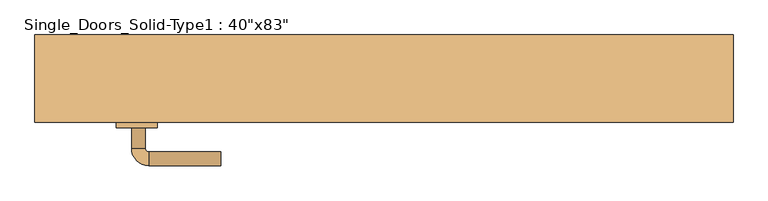
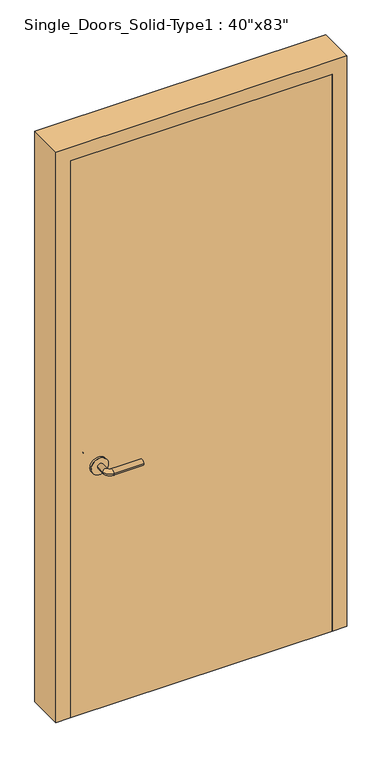
"""IFC4 building model written with IfcOpenShell, lengths in millimetres: door geometry."""

from ifc_helpers import new_model, si_unit, point, frame, frame_2d, origin, origin_with_axes, place, context, project, spatial, polyline, circle_curve, ellipse_curve, trimmed, segment, composite_curve, outline, extrude, faceted_brep, source, transform, mapped, element, save
from ifc_brep_helpers import plane_surface, cylinder_surface, revolved_surface, advanced_brep


def door_8463578b(model_context):
    return source(origin(), model_context, "Body", "SolidModel", [
        advanced_brep(
        [(-367.2, -17.4, 900.0), (-347.2, -17.4, 900.0), (-367.2, 12.6, 900.0), (-347.2, 12.6, 900.0), (-342.2, 17.6, 900.0), (-342.2, 37.6, 900.0), (-237.2, 37.6, 900.0), (-237.2, 17.6, 900.0)],
        [
            (0, 1, circle_curve(frame((-357.2, -17.4, 900.0), z_axis=(0.0, -1.0, 0.0), x_axis=(1.0, 0.0, 0.0)), 10.0)),
            (1, 0, circle_curve(frame((-357.2, -17.4, 900.0), z_axis=(0.0, -1.0, 0.0), x_axis=(1.0, 0.0, 0.0)), 10.0)),
            (0, 2),
            (2, 3, circle_curve(frame((-357.2, 12.6, 900.0), z_axis=(0.0, -1.0, 0.0), x_axis=(1.0, 0.0, 0.0)), 10.0)),
            (3, 1),
            (3, 2, circle_curve(frame((-357.2, 12.6, 900.0), z_axis=(0.0, -1.0, 0.0), x_axis=(1.0, 0.0, 0.0)), 10.0)),
            (4, 3, circle_curve(frame((-342.2, 12.6, 900.0), z_axis=(0.0, 0.0, 1.0), x_axis=(-1.0, 0.0, 0.0)), 5.0)),
            (2, 5, circle_curve(frame((-342.2, 12.6, 900.0), z_axis=(0.0, 0.0, -1.0), x_axis=(-1.0, 0.0, 0.0)), 25.0)),
            (5, 4, circle_curve(frame((-342.2, 27.6, 900.0), z_axis=(-1.0, 0.0, 0.0), x_axis=(0.0, -1.0, 0.0)), 10.0)),
            (4, 5, circle_curve(frame((-342.2, 27.6, 900.0), z_axis=(-1.0, 0.0, 0.0), x_axis=(0.0, -1.0, 0.0)), 10.0)),
            (6, 7, circle_curve(frame((-237.2, 27.6, 900.0), z_axis=(1.0, 0.0, 0.0), x_axis=(0.0, -1.0, 0.0)), 10.0)),
            (7, 6, circle_curve(frame((-237.2, 27.6, 900.0), z_axis=(1.0, 0.0, 0.0), x_axis=(0.0, -1.0, 0.0)), 10.0)),
            (5, 6),
            (7, 4),
        ],
        [
            plane_surface(frame((-357.2, -17.4, 900.0), z_axis=(0.0, -1.0, 0.0), x_axis=(0.0, 0.0, 1.0))),
            cylinder_surface(frame((-357.2, -17.4, 900.0), z_axis=(0.0, -1.0, 0.0), x_axis=(1.0, 0.0, 0.0)), 10.0),
            revolved_surface(trimmed(ellipse_curve(frame((-357.2, 12.6, 900.0), z_axis=(0.0, -1.0, 0.0), x_axis=(1.0, 0.0, 0.0)), 10.0, 10.0), [point((-367.2, 12.6, 900.0))], [point((-347.2, 12.6, 900.0))], True, "CARTESIAN"), (-342.2, 12.6, 900.0), (0.0, 0.0, -1.0)),
            revolved_surface(trimmed(ellipse_curve(frame((-357.2, 12.6, 900.0), z_axis=(0.0, -1.0, 0.0), x_axis=(1.0, 0.0, 0.0)), 10.0, 10.0), [point((-347.2, 12.6, 900.0))], [point((-367.2, 12.6, 900.0))], True, "CARTESIAN"), (-342.2, 12.6, 900.0), (0.0, 0.0, -1.0)),
            plane_surface(frame((-237.2, 27.6, 900.0), z_axis=(1.0, 0.0, 0.0), x_axis=(0.0, 0.0, 1.0))),
            cylinder_surface(frame((-342.2, 27.6, 900.0), z_axis=(-1.0, 0.0, 0.0), x_axis=(0.0, -1.0, 0.0)), 10.0),
        ],
        [
            (0, [[1, 2]]),
            (1, [[-1, 3, 4, 5]]),
            (1, [[-2, -5, 6, -3]]),
            (2, [[7, -4, 8, 9]]),
            (3, [[-8, -6, -7, 10]]),
            (4, [[11, 12]]),
            (5, [[-9, 13, -12, 14]]),
            (5, [[-10, -14, -11, -13]]),
        ],
    ),
        extrude(outline(composite_curve([segment(trimmed(circle_curve(frame_2d((900.0, -359.7)), 30.0), [point((900.0, -389.7))], [point((900.0, -329.7))], False, "CARTESIAN"), True, "CONTINUOUS"), segment(trimmed(circle_curve(frame_2d((900.0, -359.7)), 30.0), [point((900.0, -329.7))], [point((900.0, -389.7))], False, "CARTESIAN"), True, "CONTINUOUS")], self_intersect=False)), frame((0.0, -25.4, 0.0), z_axis=(0.0, 1.0, 0.0), x_axis=(0.0, 0.0, 1.0)), (0.0, 0.0, 1.0), 8.0),
        advanced_brep(
        [(-367.2, -71.5, 900.0), (-347.2, -71.5, 900.0), (-347.2, -101.5, 900.0), (-367.2, -101.5, 900.0), (-342.2, -106.5, 900.0), (-342.2, -126.5, 900.0), (-237.2, -126.5, 900.0), (-237.2, -106.5, 900.0)],
        [
            (0, 1, circle_curve(frame((-357.2, -71.5, 900.0), z_axis=(0.0, 1.0, 0.0), x_axis=(1.0, 0.0, 0.0)), 10.0)),
            (1, 0, circle_curve(frame((-357.2, -71.5, 900.0), z_axis=(0.0, 1.0, 0.0), x_axis=(1.0, 0.0, 0.0)), 10.0)),
            (1, 2),
            (2, 3, circle_curve(frame((-357.2, -101.5, 900.0), z_axis=(0.0, 1.0, 0.0), x_axis=(1.0, 0.0, 0.0)), 10.0)),
            (3, 0),
            (3, 2, circle_curve(frame((-357.2, -101.5, 900.0), z_axis=(0.0, 1.0, 0.0), x_axis=(1.0, 0.0, 0.0)), 10.0)),
            (4, 5, circle_curve(frame((-342.2, -116.5, 900.0), z_axis=(-1.0, 0.0, 0.0), x_axis=(0.0, 1.0, 0.0)), 10.0)),
            (5, 3, circle_curve(frame((-342.2, -101.5, 900.0), z_axis=(0.0, 0.0, -1.0), x_axis=(-1.0, 0.0, 0.0)), 25.0)),
            (2, 4, circle_curve(frame((-342.2, -101.5, 900.0), z_axis=(0.0, 0.0, 1.0), x_axis=(-1.0, 0.0, 0.0)), 5.0)),
            (5, 4, circle_curve(frame((-342.2, -116.5, 900.0), z_axis=(-1.0, 0.0, 0.0), x_axis=(0.0, 1.0, 0.0)), 10.0)),
            (6, 7, circle_curve(frame((-237.2, -116.5, 900.0), z_axis=(1.0, 0.0, 0.0), x_axis=(0.0, 1.0, 0.0)), 10.0)),
            (7, 6, circle_curve(frame((-237.2, -116.5, 900.0), z_axis=(1.0, 0.0, 0.0), x_axis=(0.0, 1.0, 0.0)), 10.0)),
            (4, 7),
            (6, 5),
        ],
        [
            plane_surface(frame((-357.2, -71.5, 900.0), z_axis=(0.0, 1.0, 0.0), x_axis=(0.0, 0.0, 1.0))),
            cylinder_surface(frame((-357.2, -71.5, 900.0), z_axis=(0.0, 1.0, 0.0), x_axis=(1.0, 0.0, 0.0)), 10.0),
            revolved_surface(trimmed(ellipse_curve(frame((-357.2, -101.5, 900.0), z_axis=(0.0, -1.0, 0.0), x_axis=(1.0, 0.0, 0.0)), 10.0, 10.0), [point((-367.2, -101.5, 900.0))], [point((-347.2, -101.5, 900.0))], True, "CARTESIAN"), (-342.2, -101.5, 900.0), (0.0, 0.0, -1.0)),
            revolved_surface(trimmed(ellipse_curve(frame((-357.2, -101.5, 900.0), z_axis=(0.0, -1.0, 0.0), x_axis=(1.0, 0.0, 0.0)), 10.0, 10.0), [point((-347.2, -101.5, 900.0))], [point((-367.2, -101.5, 900.0))], True, "CARTESIAN"), (-342.2, -101.5, 900.0), (0.0, 0.0, -1.0)),
            plane_surface(frame((-237.2, -116.5, 900.0), z_axis=(1.0, 0.0, 0.0), x_axis=(0.0, 0.0, 1.0))),
            cylinder_surface(frame((-342.2, -116.5, 900.0), z_axis=(-1.0, 0.0, 0.0), x_axis=(0.0, 1.0, 0.0)), 10.0),
        ],
        [
            (0, [[1, 2]]),
            (1, [[3, 4, 5, -2]]),
            (1, [[-5, 6, -3, -1]]),
            (2, [[7, 8, -4, 9]]),
            (3, [[10, -9, -6, -8]]),
            (4, [[11, 12]]),
            (5, [[13, -11, 14, -7]]),
            (5, [[-14, -12, -13, -10]]),
        ],
    ),
        extrude(outline(composite_curve([segment(trimmed(circle_curve(frame_2d((900.0, -359.7)), 30.0), [point((900.0, -389.7))], [point((900.0, -329.7))], False, "CARTESIAN"), True, "CONTINUOUS"), segment(trimmed(circle_curve(frame_2d((900.0, -359.7)), 30.0), [point((900.0, -329.7))], [point((900.0, -389.7))], False, "CARTESIAN"), True, "CONTINUOUS")], self_intersect=False)), frame((0.0, -71.5, 0.0), z_axis=(0.0, 1.0, 0.0), x_axis=(0.0, 0.0, 1.0)), (0.0, 0.0, 1.0), 8.0),
        faceted_brep([(-508.0, 63.5, 0.0), (-457.2, 63.5, 0.0), (-457.2, 0.0, 0.0), (-444.5, 0.0, 0.0), (-444.5, -25.4, 0.0), (-457.2, -25.4, 0.0), (-457.2, -63.5, 0.0), (-508.0, -63.5, 0.0), (-508.0, -63.5, 2108.2), (-508.0, 63.5, 2108.2), (-457.2, -63.5, 2057.4), (457.2, -63.5, 2057.4), (457.2, -63.5, 0.0), (508.0, -63.5, 0.0), (508.0, -63.5, 2108.2), (-457.2, -25.4, 2057.4), (-444.5, -25.4, 2044.7), (444.5, -25.4, 2044.7), (444.5, -25.4, 0.0), (457.2, -25.4, 0.0), (457.2, -25.4, 2057.4), (-444.5, 0.0, 2044.7), (-457.2, 0.0, 2057.4), (457.2, 0.0, 2057.4), (457.2, 0.0, 0.0), (444.5, 0.0, 0.0), (444.5, 0.0, 2044.7), (-457.2, 63.5, 2057.4), (508.0, 63.5, 2108.2), (508.0, 63.5, 0.0), (457.2, 63.5, 0.0), (457.2, 63.5, 2057.4)], [[[0, 1, 2, 3, 4, 5, 6, 7]], [[7, 8, 9, 0]], [[6, 10, 11, 12, 13, 14, 8, 7]], [[5, 15, 10, 6]], [[4, 16, 17, 18, 19, 20, 15, 5]], [[3, 21, 16, 4]], [[2, 22, 23, 24, 25, 26, 21, 3]], [[1, 27, 22, 2]], [[0, 9, 28, 29, 30, 31, 27, 1]], [[14, 13, 29, 28]], [[29, 13, 12, 19, 18, 25, 24, 30]], [[20, 19, 12, 11]], [[26, 25, 18, 17]], [[31, 30, 24, 23]], [[8, 14, 28, 9]], [[15, 20, 11, 10]], [[21, 26, 17, 16]], [[27, 31, 23, 22]]]),
        extrude(outline(polyline([(457.2, -25.4), (457.2, -63.5), (-457.2, -63.5), (-457.2, -25.4), (457.2, -25.4)])), origin_with_axes(), (0.0, 0.0, 1.0), 2057.4),
    ])


if __name__ == "__main__":
    model = new_model("IFC4")
    model_context = context("Model", 3, world=origin())
    ifc_project = project(units=[si_unit("LENGTHUNIT", "METRE", prefix="MILLI")], contexts=[model_context])
    site = spatial("IfcSite", under=ifc_project)
    building = spatial("IfcBuilding", under=site)
    placement = place(None, origin())
    door_shape = door_8463578b(model_context)
    element("IfcDoor", 1, ObjectType="Single_Doors_Solid-Type1 : 40\"x83\"", at=placement, inside=building, context=model_context, shape_type="MappedRepresentation", body=[
        mapped(door_shape, transform((0.0, 0.0, 0.0), x_axis=(1.0, 0.0, 0.0), y_axis=(0.0, 1.0, 0.0), z_axis=(0.0, 0.0, 1.0))),
    ])
    save(model, "model.ifc")
